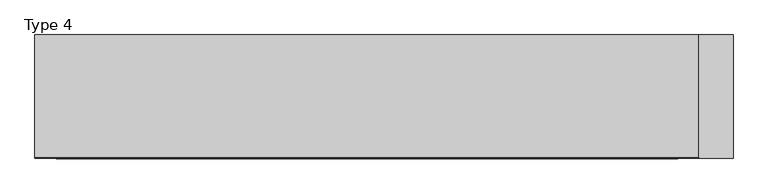
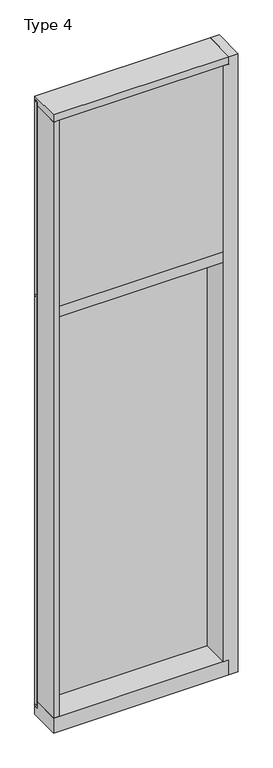
"""IFC4 building model written with IfcOpenShell, lengths in millimetres: plate geometry, Type 4."""

from ifc_helpers import new_model, si_unit, frame, origin, place, context, project, spatial, polyline, outline, extrude, faceted_brep, source, transform, mapped, element, save


def type_4_15069c4f(model_context):
    return source(origin(), model_context, "Body", "SolidModel", [
        extrude(outline(polyline([(-494.1624799, -155.9814), (-494.1624799, 2.286), (-462.4124799, 2.286), (-462.4124799, -155.9814), (-494.1624799, -155.9814)])), frame((0.0, 0.0, 31.75), z_axis=(0.0, 0.0, 1.0), x_axis=(1.0, 0.0, 0.0)), (0.0, 0.0, 1.0), 3543.3),
        faceted_brep([(544.9624799, -155.9814, 3619.5), (544.9624799, 27.686, 3619.5), (494.1624799, 27.686, 3619.5), (494.1624799, -155.9814, 3619.5), (544.9624799, -155.9814, -57.15), (494.1624799, -155.9814, -57.15), (494.1624799, 27.686, -57.15), (544.9624799, 27.686, -57.15), (494.1624799, -155.9814, 3575.05), (462.4124799, -155.9814, 3575.05), (462.4124799, -155.9814, 31.75), (494.1624799, -155.9814, 31.75), (494.1624799, 2.286, 31.75), (494.1624799, 2.286, 3575.05), (462.4124799, 2.286, 3575.05), (462.4124799, 2.286, 31.75)], [[[0, 1, 2, 3]], [[4, 5, 6, 7]], [[0, 3, 8, 9, 10, 11, 5, 4]], [[3, 2, 6, 5, 11, 12, 13, 8]], [[1, 0, 4, 7]], [[2, 1, 7, 6]], [[13, 14, 9, 8]], [[11, 10, 15, 12]], [[9, 14, 15, 10]], [[14, 13, 12, 15]]]),
        extrude(outline(polyline([(462.4135691, -48.6409999), (462.4135691, -156.32684), (-462.4124799, -156.32684), (-462.4124799, -48.6409999), (462.4135691, -48.6409999)])), frame((0.0, 0.0, 2470.15), z_axis=(0.0, 0.0, 1.0), x_axis=(1.0, 0.0, 0.0)), (0.0, 0.0, 1.0), 1104.9984372),
        extrude(outline(polyline([(494.1624799, 27.6881517), (494.1624799, 11.2982336), (481.4635691, 11.2982336), (481.4635691, 27.6881517), (494.1624799, 27.6881517)])), frame((0.0, 0.0, 2444.75), z_axis=(0.0, 0.0, 1.0), x_axis=(1.0, 0.0, 0.0)), (0.0, 0.0, 1.0), 1149.35),
        extrude(outline(polyline([(-481.4635691, 27.6881517), (-481.4635691, 11.2982336), (-494.1624799, 11.2982336), (-494.1624799, 27.6881517), (-481.4635691, 27.6881517)])), frame((0.0, 0.0, 2444.75), z_axis=(0.0, 0.0, 1.0), x_axis=(1.0, 0.0, 0.0)), (0.0, 0.0, 1.0), 1149.35),
        extrude(outline(polyline([(481.4635691, 27.686), (481.4635691, 2.286), (-481.4635691, 2.286), (-481.4635691, 27.686), (481.4635691, 27.686)])), frame((0.0, 0.0, 2444.75), z_axis=(0.0, 0.0, 1.0), x_axis=(1.0, 0.0, 0.0)), (0.0, 0.0, 1.0), 1149.35),
        extrude(outline(polyline([(494.1624799, 27.6881517), (494.1624799, 11.2982336), (481.4635691, 11.2982336), (481.4635691, 27.6881517), (494.1624799, 27.6881517)])), frame((0.0, 0.0, 6.35), z_axis=(0.0, 0.0, 1.0), x_axis=(1.0, 0.0, 0.0)), (0.0, 0.0, 1.0), 2425.7),
        extrude(outline(polyline([(-481.4635691, 27.6881517), (-481.4635691, 11.2982336), (-494.1624799, 11.2982336), (-494.1624799, 27.6881517), (-481.4635691, 27.6881517)])), frame((0.0, 0.0, 6.35), z_axis=(0.0, 0.0, 1.0), x_axis=(1.0, 0.0, 0.0)), (0.0, 0.0, 1.0), 2425.7),
        extrude(outline(polyline([(481.4635691, 27.686), (481.4635691, 2.286), (-481.4635691, 2.286), (-481.4635691, 27.686), (481.4635691, 27.686)])), frame((0.0, 0.0, 6.35), z_axis=(0.0, 0.0, 1.0), x_axis=(1.0, 0.0, 0.0)), (0.0, 0.0, 1.0), 2425.7),
        extrude(outline(polyline([(494.1624799, 27.686), (494.1624799, 6.35), (-494.1624799, 6.35), (-494.1624799, 27.686), (494.1624799, 27.686)])), frame((0.0, 0.0, 2432.05), z_axis=(0.0, 0.0, 1.0), x_axis=(1.0, 0.0, 0.0)), (0.0, 0.0, 1.0), 12.7),
        extrude(outline(polyline([(-494.1624799, 15.9510838), (-494.1624799, 27.6859999), (494.1624799, 27.6859999), (494.1624799, 15.9510838), (-494.1624799, 15.9510838)])), frame((0.0, 0.0, 3594.7366239), z_axis=(0.0, 0.0, 1.0), x_axis=(1.0, 0.0, 0.0)), (0.0, 0.0, 1.0), 6.7161694),
        extrude(outline(polyline([(27.686, 3619.5), (27.686, 3601.4527933), (2.286, 3601.4527933), (2.286, 3575.6866239), (-155.6003929, 3575.6866239), (-155.4081413, 3619.5), (27.686, 3619.5)])), frame((-494.1624799, 0.0, 0.0), z_axis=(1.0, 0.0, 0.0), x_axis=(0.0, 1.0, 0.0)), (0.0, 0.0, 1.0), 988.3249599),
        extrude(outline(polyline([(-494.1624799, 5.0946564), (-494.1624799, 27.6881517), (494.1624799, 27.6881517), (494.1624799, 5.0946564), (-494.1624799, 5.0946564)])), frame((0.0, 0.0, -6.2984797), z_axis=(0.0, 0.0, 1.0), x_axis=(1.0, 0.0, 0.0)), (0.0, 0.0, 1.0), 12.6484797),
        extrude(outline(polyline([(-462.4124799, -155.4734), (-462.4124799, 2.2859999), (462.4124799, 2.2859999), (462.4124799, -155.4734), (-462.4124799, -155.4734)])), frame((0.0, 0.0, 2406.65), z_axis=(0.0, 0.0, 1.0), x_axis=(1.0, 0.0, 0.0)), (0.0, 0.0, 1.0), 63.5),
        extrude(outline(polyline([(2.2859999, 31.75), (2.2859999, -6.2983857), (27.6858239, -6.2983857), (27.6858239, -57.15), (-155.6004, -57.15), (-155.6004, 31.75), (2.2859999, 31.75)])), frame((-494.1624799, 0.0, 0.0), z_axis=(1.0, 0.0, 0.0), x_axis=(0.0, 1.0, 0.0)), (0.0, 0.0, 1.0), 988.3249599),
    ])


if __name__ == "__main__":
    model = new_model("IFC4")
    model_context = context("Model", 3, world=origin())
    ifc_project = project(units=[si_unit("LENGTHUNIT", "METRE", prefix="MILLI")], contexts=[model_context])
    site = spatial("IfcSite", under=ifc_project)
    building = spatial("IfcBuilding", under=site)
    placement = place(None, origin())
    type_4_shape = type_4_15069c4f(model_context)
    element("IfcPlate", 1, ObjectType="Type 4", at=placement, inside=building, context=model_context, shape_type="MappedRepresentation", body=[
        mapped(type_4_shape, transform((0.0, 0.0, 0.0), x_axis=(1.0, 0.0, 0.0), y_axis=(0.0, 1.0, 0.0), z_axis=(0.0, 0.0, 1.0))),
    ])
    save(model, "model.ifc")
